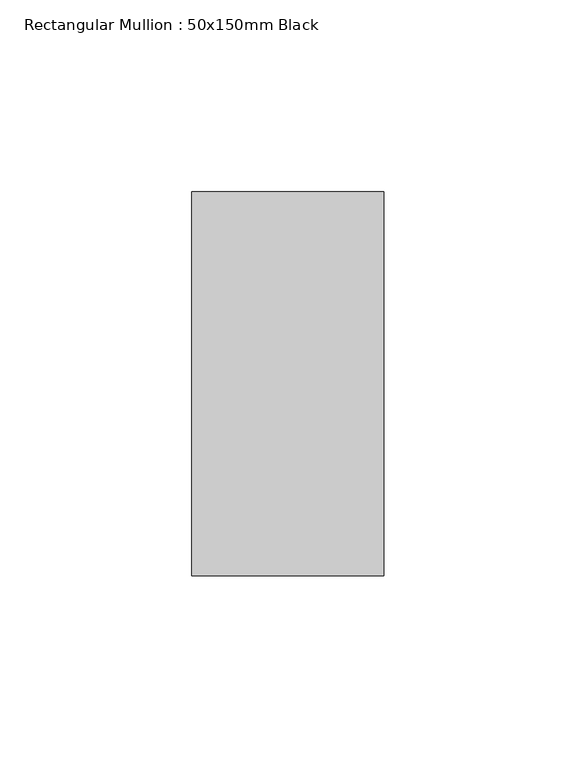
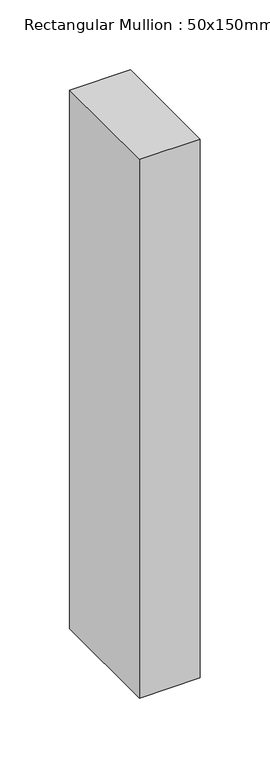
"""IFC4 building model written with IfcOpenShell, lengths in millimetres: member geometry, Rectangular Mullion : 50x150mm Black."""

from ifc_helpers import new_model, si_unit, frame, origin, place, context, project, spatial, polyline, outline, extrude, source, transform, mapped, element, save


def rectangular_mullion_50x150mm_black_690c5925(model_context):
    return source(origin(), model_context, "Body", "SweptSolid", [
        extrude(outline(polyline([(25.0, 50.0), (25.0, -50.0), (-25.0, -50.0), (-25.0, 50.0), (25.0, 50.0)])), frame((0.0, 0.0, -470.0), z_axis=(0.0, 0.0, 1.0), x_axis=(1.0, 0.0, 0.0)), (0.0, 0.0, 1.0), 470.0),
    ])


if __name__ == "__main__":
    model = new_model("IFC4")
    model_context = context("Model", 3, world=origin())
    ifc_project = project(units=[si_unit("LENGTHUNIT", "METRE", prefix="MILLI")], contexts=[model_context])
    site = spatial("IfcSite", under=ifc_project)
    building = spatial("IfcBuilding", under=site)
    placement = place(None, origin())
    rectangular_mullion_50x150mm_black_shape = rectangular_mullion_50x150mm_black_690c5925(model_context)
    element("IfcMember", 1, ObjectType="Rectangular Mullion : 50x150mm Black", at=placement, inside=building, context=model_context, shape_type="MappedRepresentation", body=[
        mapped(rectangular_mullion_50x150mm_black_shape, transform((0.0, 0.0, 0.0), x_axis=(1.0, 0.0, 0.0), y_axis=(0.0, 1.0, 0.0), z_axis=(0.0, 0.0, 1.0))),
    ])
    save(model, "model.ifc")
